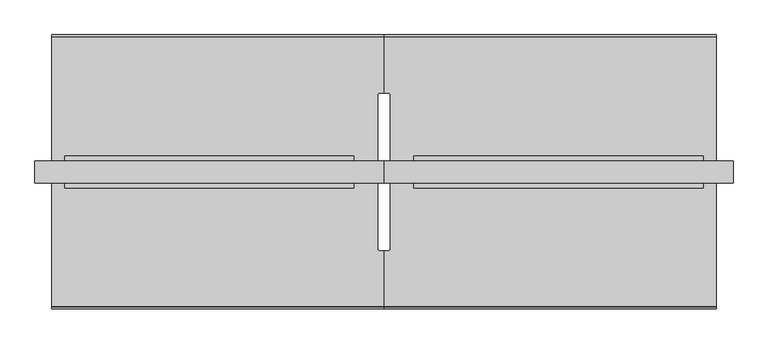
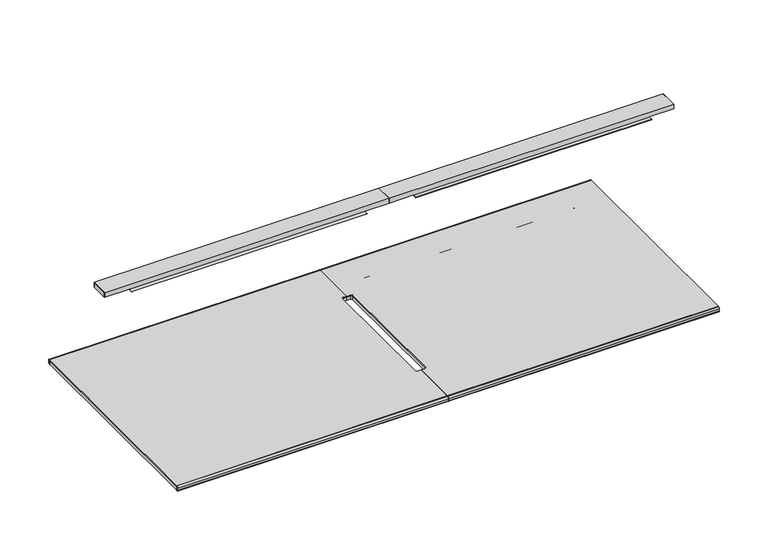
"""IFC4 building model written with IfcOpenShell, lengths in millimetres: furniture geometry."""

import ifcopenshell
import ifcopenshell.guid

model = None  # the IFC model being written
_history = None  # IfcOwnerHistory: only IFC2X3 demands one
_inside = {}  # id of a spatial element -> (the spatial element, [elements in it])
_under = {}  # id of a project, library or spatial element -> (it, [spatial elements below it])
_declared = {}  # id of a project -> (the project, [libraries it declares])
_typed = {}  # id of a type object -> (the type object, [elements of that type])
_made_of = {}  # id of a material, layer set ... -> (it, [elements and type objects made of it])


def new_model(schema):
    """Start an empty IFC model of exactly this schema.

    Asked for "IFC4X3", IfcOpenShell would pick the latest addendum, in which some entities
    have other attributes; the version numbers below select the first issue.
    IFC2X3 requires an IfcOwnerHistory on every rooted entity: one is made here for all.
    """
    global model, _history
    if schema == "IFC4X3":
        model = ifcopenshell.file(schema_version=(4, 3, 0, 0))
    else:
        model = ifcopenshell.file(schema=schema)
    _inside.clear()
    _under.clear()
    _declared.clear()
    _typed.clear()
    _made_of.clear()
    _history = None
    if model.schema == "IFC2X3":
        org = make("IfcOrganization", Name="unknown")
        user = make(
            "IfcPersonAndOrganization",
            ThePerson=make("IfcPerson", FamilyName="unknown"),
            TheOrganization=org,
        )
        app = make(
            "IfcApplication",
            ApplicationDeveloper=org,
            Version="unknown",
            ApplicationFullName="unknown",
            ApplicationIdentifier="unknown",
        )
        _history = make(
            "IfcOwnerHistory",
            OwningUser=user,
            OwningApplication=app,
            ChangeAction="ADDED",
            CreationDate=0,
        )
    return model


def make(cls, **values):
    """One entity of the class cls with the attributes given. An attribute that is None is left unset."""
    return model.create_entity(
        cls, **{name: value for name, value in values.items() if value is not None}
    )


def rooted(cls, **values):
    """An entity with a GlobalId (a new one), such as an element, a storey or a relation."""
    return make(cls, GlobalId=ifcopenshell.guid.new(), OwnerHistory=_history, **values)


def si_unit(unit_type, name, prefix=None):
    """IfcSIUnit, for example si_unit("LENGTHUNIT", "METRE", prefix="MILLI")."""
    return make("IfcSIUnit", UnitType=unit_type, Prefix=prefix, Name=name)


def assignment(units):
    """IfcUnitAssignment: the units of a project."""
    return None if units is None else make("IfcUnitAssignment", Units=units)


def point(xyz):
    """IfcCartesianPoint."""
    return None if xyz is None else make("IfcCartesianPoint", Coordinates=xyz)


def direction(xyz):
    """IfcDirection."""
    return None if xyz is None else make("IfcDirection", DirectionRatios=xyz)


def frame(location, z_axis=None, x_axis=None):
    """IfcAxis2Placement3D, a coordinate frame: its origin and axes. An axis left out is left unset."""
    return make(
        "IfcAxis2Placement3D",
        Location=point(location),
        Axis=direction(z_axis),
        RefDirection=direction(x_axis),
    )


def frame_2d(location, x_axis=None):
    """IfcAxis2Placement2D, a coordinate frame in the plane: its origin and x axis."""
    return make(
        "IfcAxis2Placement2D", Location=point(location), RefDirection=direction(x_axis)
    )


def origin():
    """The frame at (0, 0, 0) with its axes left unset."""
    return frame((0.0, 0.0, 0.0))


def place(relative_to, where):
    """IfcLocalPlacement: puts the frame where relative to a parent placement (None: the world)."""
    return make(
        "IfcLocalPlacement", PlacementRelTo=relative_to, RelativePlacement=where
    )


def context(
    kind, dimensions, precision=None, world=None, true_north=None, identifier=None
):
    """IfcGeometricRepresentationContext, for example the 3D "Model" context."""
    return make(
        "IfcGeometricRepresentationContext",
        ContextIdentifier=identifier,
        ContextType=kind,
        CoordinateSpaceDimension=dimensions,
        Precision=precision,
        WorldCoordinateSystem=world,
        TrueNorth=true_north,
    )


def project(units=None, contexts=None):
    """IfcProject with its units and contexts."""
    return rooted(
        "IfcProject",
        Name="project",
        RepresentationContexts=contexts,
        UnitsInContext=assignment(units),
    )


def spatial(cls, under=None, at=None, **own):
    """A site, building, storey or space (cls), placed at a placement, below another one or the project."""
    s = rooted(cls, ObjectPlacement=at, **own)
    if under is not None:
        _under.setdefault(under.id(), (under, []))[1].append(s)
    return s


def polyline(points):
    """IfcPolyline through the points."""
    return make("IfcPolyline", Points=[point(p) for p in points])


def circle_curve(where, radius):
    """IfcCircle in the frame where."""
    return make("IfcCircle", Position=where, Radius=radius)


def trimmed(basis, trim1, trim2, sense, master):
    """IfcTrimmedCurve: the piece of a basis curve between two trims."""
    return make(
        "IfcTrimmedCurve",
        BasisCurve=basis,
        Trim1=trim1,
        Trim2=trim2,
        SenseAgreement=sense,
        MasterRepresentation=master,
    )


def segment(curve, same_sense, transition):
    """IfcCompositeCurveSegment."""
    return make(
        "IfcCompositeCurveSegment",
        Transition=transition,
        SameSense=same_sense,
        ParentCurve=curve,
    )


def composite_curve(segments, self_intersect=None):
    """IfcCompositeCurve: segments joined end to end."""
    return make("IfcCompositeCurve", Segments=segments, SelfIntersect=self_intersect)


def outline(outer, holes=None, kind="AREA"):
    """IfcArbitraryClosedProfileDef: a profile drawn as a closed curve; with holes, ...WithVoids."""
    if holes is None:
        return make("IfcArbitraryClosedProfileDef", ProfileType=kind, OuterCurve=outer)
    return make(
        "IfcArbitraryProfileDefWithVoids",
        ProfileType=kind,
        OuterCurve=outer,
        InnerCurves=holes,
    )


def extrude(swept, where, along, depth):
    """IfcExtrudedAreaSolid: the profile swept, set in the frame where, extruded along a direction by depth."""
    return make(
        "IfcExtrudedAreaSolid",
        SweptArea=swept,
        Position=where,
        ExtrudedDirection=direction(along),
        Depth=depth,
    )


def faces_of(points, faces, orient=None, outer=None):
    """IfcFace entities. A face is a list of loops; a loop is a list of indices into points, from 0.

    orient and outer hold one flag for each loop. By default every Orientation is true, the
    first loop of a face is its IfcFaceOuterBound and the others are IfcFaceBound.
    """
    made = []
    for i, loops in enumerate(faces):
        bounds = []
        for j, loop in enumerate(loops):
            is_outer = j == 0 if outer is None else outer[i][j]
            bounds.append(
                make(
                    "IfcFaceOuterBound" if is_outer else "IfcFaceBound",
                    Bound=make("IfcPolyLoop", Polygon=[points[k] for k in loop]),
                    Orientation=True if orient is None else orient[i][j],
                )
            )
        made.append(make("IfcFace", Bounds=bounds))
    return made


def faceted_brep(points, faces, orient=None, outer=None, voids=None):
    """IfcFacetedBrep: a solid bounded by flat faces; with voids (closed shells), ...WithVoids."""
    shared = [point(p) for p in points]
    hull = make("IfcClosedShell", CfsFaces=faces_of(shared, faces, orient, outer))
    if voids is None:
        return make("IfcFacetedBrep", Outer=hull)
    return make(
        "IfcFacetedBrepWithVoids",
        Outer=hull,
        Voids=[
            make(cls, CfsFaces=faces_of(shared, fs, o, b)) for cls, fs, o, b in voids
        ],
    )


def shape(context_of_items, identifier, shape_type, items):
    """IfcShapeRepresentation: the items that make up one representation, for example the "Body"."""
    return make(
        "IfcShapeRepresentation",
        ContextOfItems=context_of_items,
        RepresentationIdentifier=identifier,
        RepresentationType=shape_type,
        Items=items,
    )


def source(mapping_origin, context_of_items, identifier, shape_type, items):
    """IfcRepresentationMap: a shape defined once, which mapped items show again and again."""
    return make(
        "IfcRepresentationMap",
        MappingOrigin=mapping_origin,
        MappedRepresentation=shape(context_of_items, identifier, shape_type, items),
    )


def transform(
    local_origin,
    x_axis=None,
    y_axis=None,
    z_axis=None,
    scale=None,
    scale2=None,
    scale3=None,
    uniform=True,
):
    """IfcCartesianTransformationOperator3D, or its non-uniform kind. x_axis, y_axis, z_axis: its Axis1, 2, 3."""
    if uniform:
        return make(
            "IfcCartesianTransformationOperator3D",
            Axis1=direction(x_axis),
            Axis2=direction(y_axis),
            LocalOrigin=point(local_origin),
            Scale=scale,
            Axis3=direction(z_axis),
        )
    return make(
        "IfcCartesianTransformationOperator3DnonUniform",
        Axis1=direction(x_axis),
        Axis2=direction(y_axis),
        LocalOrigin=point(local_origin),
        Scale=scale,
        Axis3=direction(z_axis),
        Scale2=scale2,
        Scale3=scale3,
    )


def mapped(mapping_source, mapping_target):
    """IfcMappedItem: shows the shape of a source again, moved by a transform."""
    return make(
        "IfcMappedItem", MappingSource=mapping_source, MappingTarget=mapping_target
    )


def made_of(thing, what):
    """Note that an element or type object is made of a material, layer set ...; save() writes the relation."""
    if what is not None:
        _made_of.setdefault(what.id(), (what, []))[1].append(thing)
    return thing


def element(
    cls,
    number,
    at=None,
    inside=None,
    cuts=None,
    type_object=None,
    material=None,
    context=None,
    identifier="Body",
    shape_type=None,
    held_by="IfcProductDefinitionShape",
    body=None,
    shapes=None,
    **own,
):
    """One element of the class cls, such as IfcWall. Its Tag is "e" and its number.

    at: its placement. inside: the storey or other place that contains it. cuts: it is an
    opening in that element (IfcRelVoidsElement). A single representation is given by context,
    identifier, shape_type and body (its items); several are given by shapes. held_by: the class
    of the entity that holds the representations. save() writes the other relations.
    """
    e = rooted(cls, Tag="e%d" % number, ObjectPlacement=at, **own)
    if body is not None:
        shapes = [shape(context, identifier, shape_type, body)]
    if shapes is not None:
        e.Representation = make(held_by, Representations=shapes)
    if inside is not None:
        _inside.setdefault(inside.id(), (inside, []))[1].append(e)
    if cuts is not None:
        rooted(
            "IfcRelVoidsElement", RelatingBuildingElement=cuts, RelatedOpeningElement=e
        )
    if type_object is not None:
        _typed.setdefault(type_object.id(), (type_object, []))[1].append(e)
    return made_of(e, material)


def aggregate(whole, parts):
    """IfcRelAggregates: a whole, such as a stair, and the parts it consists of."""
    return rooted("IfcRelAggregates", RelatingObject=whole, RelatedObjects=parts)


def save(model, path):
    """Write the relations noted so far, then the file.

    IfcRelAggregates (storeys below a building ...), IfcRelContainedInSpatialStructure (elements
    in a storey), IfcRelDefinesByType, IfcRelAssociatesMaterial and IfcRelDeclares: one each for
    every whole, place, type object, material and project.
    """
    for whole, parts in _under.values():
        aggregate(whole, parts)
    for where, things in _inside.values():
        rooted(
            "IfcRelContainedInSpatialStructure",
            RelatedElements=things,
            RelatingStructure=where,
        )
    for kind, things in _typed.values():
        rooted("IfcRelDefinesByType", RelatedObjects=things, RelatingType=kind)
    for what, things in _made_of.values():
        rooted("IfcRelAssociatesMaterial", RelatedObjects=things, RelatingMaterial=what)
    for by, libraries in _declared.values():
        rooted("IfcRelDeclares", RelatingContext=by, RelatedDefinitions=libraries)
    model.write(path)


def furniture_c224cef0(model_context):
    return source(origin(), model_context, "Body", "SolidModel", [
        extrude(outline(composite_curve([segment(polyline([(462.9995296, 225.3000016), (462.9995296, 223.2999965), (433.499433, 223.2999965)]), True, "CONTINUOUS"), segment(trimmed(circle_curve(frame_2d((433.499433, 227.2999965)), 4.0), [point((433.499433, 223.2999965))], [point((429.499433, 227.2999965))], False, "CARTESIAN"), True, "CONTINUOUS"), segment(polyline([(429.499433, 227.2999965), (429.499433, 250.0), (431.4989476, 250.0), (431.4989476, 227.3000016)]), True, "CONTINUOUS"), segment(trimmed(circle_curve(frame_2d((433.4989476, 227.3000016)), 2.0), [point((431.4989476, 227.3000016))], [point((433.4989476, 225.3000016))], True, "CARTESIAN"), True, "CONTINUOUS"), segment(polyline([(433.4989476, 225.3000016), (462.9995296, 225.3000016)]), True, "CONTINUOUS")], self_intersect=False)), frame((1400.0, 0.0, 0.0), z_axis=(1.0, 0.0, 0.0), x_axis=(0.0, 1.0, 0.0)), (0.0, 0.0, 1.0), 1202.0),
        extrude(outline(composite_curve([segment(polyline([(1400.0, 515.0401497), (2732.0, 515.0401497), (2732.0, -565.0401497), (1400.0, -565.0401497), (1400.0, -342.0), (1419.0117844, -342.0)]), True, "CONTINUOUS"), segment(trimmed(circle_curve(frame_2d((1419.0117844, -335.0)), 7.0), [point((1419.0117844, -342.0))], [point((1426.0117844, -335.0))], True, "CARTESIAN"), True, "CONTINUOUS"), segment(polyline([(1426.0117844, -335.0), (1426.0117844, 285.0)]), True, "CONTINUOUS"), segment(trimmed(circle_curve(frame_2d((1419.0117844, 285.0)), 7.0), [point((1426.0117844, 285.0))], [point((1419.0117844, 292.0))], True, "CARTESIAN"), True, "CONTINUOUS"), segment(polyline([(1419.0117844, 292.0), (1400.0, 292.0), (1400.0, 515.0401497)]), True, "CONTINUOUS")], self_intersect=False)), frame((0.0, 0.0, 267.9999933), z_axis=(0.0, 0.0, 1.0), x_axis=(1.0, 0.0, 0.0)), (0.0, 0.0, 1.0), 5.0000037),
        extrude(outline(composite_curve([segment(polyline([(515.0401497, 248.0000331), (515.0401497, 272.999997), (517.4527557, 272.999997)]), True, "CONTINUOUS"), segment(trimmed(circle_curve(frame_2d((517.4527557, 265.4527527)), 7.5472443), [point((517.4527557, 272.999997))], [point((525.0, 265.4527527))], False, "CARTESIAN"), True, "CONTINUOUS"), segment(polyline([(525.0, 265.4527527), (525.0, 254.7582562)]), True, "CONTINUOUS"), segment(trimmed(circle_curve(frame_2d((518.241777, 254.7582562)), 6.758223), [point((525.0, 254.7582562))], [point((518.241777, 248.0000331))], False, "CARTESIAN"), True, "CONTINUOUS"), segment(polyline([(518.241777, 248.0000331), (515.0401497, 248.0000331)]), True, "CONTINUOUS")], self_intersect=False)), frame((1400.0, 0.0, 0.0), z_axis=(1.0, 0.0, 0.0), x_axis=(0.0, 1.0, 0.0)), (0.0, 0.0, 1.0), 1332.0),
        extrude(outline(composite_curve([segment(polyline([(-565.0401497, 248.0000331), (-568.241777, 248.0000331)]), True, "CONTINUOUS"), segment(trimmed(circle_curve(frame_2d((-568.241777, 254.7582562)), 6.758223), [point((-568.241777, 248.0000331))], [point((-575.0, 254.7582562))], False, "CARTESIAN"), True, "CONTINUOUS"), segment(polyline([(-575.0, 254.7582562), (-575.0, 265.4527527)]), True, "CONTINUOUS"), segment(trimmed(circle_curve(frame_2d((-567.4527557, 265.4527527)), 7.5472443), [point((-575.0, 265.4527527))], [point((-567.4527557, 272.999997))], False, "CARTESIAN"), True, "CONTINUOUS"), segment(polyline([(-567.4527557, 272.999997), (-565.0401497, 272.999997), (-565.0401497, 248.0000331)]), True, "CONTINUOUS")], self_intersect=False)), frame((1400.0, 0.0, 0.0), z_axis=(1.0, 0.0, 0.0), x_axis=(0.0, 1.0, 0.0)), (0.0, 0.0, 1.0), 1332.0),
        extrude(outline(composite_curve([segment(polyline([(-512.9995296, 225.3000016), (-483.4989476, 225.3000016)]), True, "CONTINUOUS"), segment(trimmed(circle_curve(frame_2d((-483.4989476, 227.3000016)), 2.0), [point((-483.4989476, 225.3000016))], [point((-481.4989476, 227.3000016))], True, "CARTESIAN"), True, "CONTINUOUS"), segment(polyline([(-481.4989476, 227.3000016), (-481.4989476, 250.0), (-479.499433, 250.0), (-479.499433, 227.2999965)]), True, "CONTINUOUS"), segment(trimmed(circle_curve(frame_2d((-483.499433, 227.2999965)), 4.0), [point((-479.499433, 227.2999965))], [point((-483.499433, 223.2999965))], False, "CARTESIAN"), True, "CONTINUOUS"), segment(polyline([(-483.499433, 223.2999965), (-512.9995296, 223.2999965), (-512.9995296, 225.3000016)]), True, "CONTINUOUS")], self_intersect=False)), frame((1327.4999821, 0.0, 0.0), z_axis=(1.0, 0.0, 0.0), x_axis=(0.0, 1.0, 0.0)), (0.0, 0.0, 1.0), 1274.5000179),
        extrude(outline(composite_curve([segment(polyline([(1400.0, 515.0401497), (2732.0, 515.0401497), (2732.0, -565.0401497), (1400.0, -565.0401497), (1400.0, -342.0), (1419.0117844, -342.0)]), True, "CONTINUOUS"), segment(trimmed(circle_curve(frame_2d((1419.0117844, -335.0)), 7.0), [point((1419.0117844, -342.0))], [point((1426.0117844, -335.0))], True, "CARTESIAN"), True, "CONTINUOUS"), segment(polyline([(1426.0117844, -335.0), (1426.0117844, 285.0)]), True, "CONTINUOUS"), segment(trimmed(circle_curve(frame_2d((1419.0117844, 285.0)), 7.0), [point((1426.0117844, 285.0))], [point((1419.0117844, 292.0))], True, "CARTESIAN"), True, "CONTINUOUS"), segment(polyline([(1419.0117844, 292.0), (1400.0, 292.0), (1400.0, 515.0401497)]), True, "CONTINUOUS")], self_intersect=False)), frame((0.0, 0.0, 250.0), z_axis=(0.0, 0.0, 1.0), x_axis=(1.0, 0.0, 0.0)), (0.0, 0.0, 1.0), 17.9999933),
        extrude(outline(composite_curve([segment(polyline([(462.9995296, 225.3000016), (462.9995296, 223.2999965), (433.499433, 223.2999965)]), True, "CONTINUOUS"), segment(trimmed(circle_curve(frame_2d((433.499433, 227.2999965)), 4.0), [point((433.499433, 223.2999965))], [point((429.499433, 227.2999965))], False, "CARTESIAN"), True, "CONTINUOUS"), segment(polyline([(429.499433, 227.2999965), (429.499433, 250.0), (431.4989476, 250.0), (431.4989476, 227.3000016)]), True, "CONTINUOUS"), segment(trimmed(circle_curve(frame_2d((433.4989476, 227.3000016)), 2.0), [point((431.4989476, 227.3000016))], [point((433.4989476, 225.3000016))], True, "CARTESIAN"), True, "CONTINUOUS"), segment(polyline([(433.4989476, 225.3000016), (462.9995296, 225.3000016)]), True, "CONTINUOUS")], self_intersect=False)), frame((198.0, 0.0, 0.0), z_axis=(1.0, 0.0, 0.0), x_axis=(0.0, 1.0, 0.0)), (0.0, 0.0, 1.0), 1202.0),
        extrude(outline(composite_curve([segment(polyline([(1400.0, 515.0401497), (1400.0, 292.0), (1380.9882156, 292.0)]), True, "CONTINUOUS"), segment(trimmed(circle_curve(frame_2d((1380.9882156, 285.0)), 7.0), [point((1380.9882156, 292.0))], [point((1373.9882156, 285.0))], True, "CARTESIAN"), True, "CONTINUOUS"), segment(polyline([(1373.9882156, 285.0), (1373.9882156, -335.0)]), True, "CONTINUOUS"), segment(trimmed(circle_curve(frame_2d((1380.9882156, -335.0)), 7.0), [point((1373.9882156, -335.0))], [point((1380.9882156, -342.0))], True, "CARTESIAN"), True, "CONTINUOUS"), segment(polyline([(1380.9882156, -342.0), (1400.0, -342.0), (1400.0, -565.0401497), (68.0, -565.0401497), (68.0, 515.0401497), (1400.0, 515.0401497)]), True, "CONTINUOUS")], self_intersect=False)), frame((0.0, 0.0, 267.9999933), z_axis=(0.0, 0.0, 1.0), x_axis=(1.0, 0.0, 0.0)), (0.0, 0.0, 1.0), 5.0000037),
        extrude(outline(composite_curve([segment(polyline([(515.0401497, 248.0000331), (515.0401497, 272.999997), (517.4527557, 272.999997)]), True, "CONTINUOUS"), segment(trimmed(circle_curve(frame_2d((517.4527557, 265.4527527)), 7.5472443), [point((517.4527557, 272.999997))], [point((525.0, 265.4527527))], False, "CARTESIAN"), True, "CONTINUOUS"), segment(polyline([(525.0, 265.4527527), (525.0, 254.7582562)]), True, "CONTINUOUS"), segment(trimmed(circle_curve(frame_2d((518.241777, 254.7582562)), 6.758223), [point((525.0, 254.7582562))], [point((518.241777, 248.0000331))], False, "CARTESIAN"), True, "CONTINUOUS"), segment(polyline([(518.241777, 248.0000331), (515.0401497, 248.0000331)]), True, "CONTINUOUS")], self_intersect=False)), frame((68.0, 0.0, 0.0), z_axis=(1.0, 0.0, 0.0), x_axis=(0.0, 1.0, 0.0)), (0.0, 0.0, 1.0), 1332.0),
        extrude(outline(composite_curve([segment(polyline([(-565.0401497, 248.0000331), (-568.241777, 248.0000331)]), True, "CONTINUOUS"), segment(trimmed(circle_curve(frame_2d((-568.241777, 254.7582562)), 6.758223), [point((-568.241777, 248.0000331))], [point((-575.0, 254.7582562))], False, "CARTESIAN"), True, "CONTINUOUS"), segment(polyline([(-575.0, 254.7582562), (-575.0, 265.4527527)]), True, "CONTINUOUS"), segment(trimmed(circle_curve(frame_2d((-567.4527557, 265.4527527)), 7.5472443), [point((-575.0, 265.4527527))], [point((-567.4527557, 272.999997))], False, "CARTESIAN"), True, "CONTINUOUS"), segment(polyline([(-567.4527557, 272.999997), (-565.0401497, 272.999997), (-565.0401497, 248.0000331)]), True, "CONTINUOUS")], self_intersect=False)), frame((68.0, 0.0, 0.0), z_axis=(1.0, 0.0, 0.0), x_axis=(0.0, 1.0, 0.0)), (0.0, 0.0, 1.0), 1332.0),
        extrude(outline(composite_curve([segment(polyline([(-512.9995296, 225.3000016), (-483.4989476, 225.3000016)]), True, "CONTINUOUS"), segment(trimmed(circle_curve(frame_2d((-483.4989476, 227.3000016)), 2.0), [point((-483.4989476, 225.3000016))], [point((-481.4989476, 227.3000016))], True, "CARTESIAN"), True, "CONTINUOUS"), segment(polyline([(-481.4989476, 227.3000016), (-481.4989476, 250.0), (-479.499433, 250.0), (-479.499433, 227.2999965)]), True, "CONTINUOUS"), segment(trimmed(circle_curve(frame_2d((-483.499433, 227.2999965)), 4.0), [point((-479.499433, 227.2999965))], [point((-483.499433, 223.2999965))], False, "CARTESIAN"), True, "CONTINUOUS"), segment(polyline([(-483.499433, 223.2999965), (-512.9995296, 223.2999965), (-512.9995296, 225.3000016)]), True, "CONTINUOUS")], self_intersect=False)), frame((198.0, 0.0, 0.0), z_axis=(1.0, 0.0, 0.0), x_axis=(0.0, 1.0, 0.0)), (0.0, 0.0, 1.0), 1274.5000179),
        extrude(outline(composite_curve([segment(polyline([(1400.0, 515.0401497), (1400.0, 292.0), (1380.9882156, 292.0)]), True, "CONTINUOUS"), segment(trimmed(circle_curve(frame_2d((1380.9882156, 285.0)), 7.0), [point((1380.9882156, 292.0))], [point((1373.9882156, 285.0))], True, "CARTESIAN"), True, "CONTINUOUS"), segment(polyline([(1373.9882156, 285.0), (1373.9882156, -335.0)]), True, "CONTINUOUS"), segment(trimmed(circle_curve(frame_2d((1380.9882156, -335.0)), 7.0), [point((1373.9882156, -335.0))], [point((1380.9882156, -342.0))], True, "CARTESIAN"), True, "CONTINUOUS"), segment(polyline([(1380.9882156, -342.0), (1400.0, -342.0), (1400.0, -565.0401497), (68.0, -565.0401497), (68.0, 515.0401497), (1400.0, 515.0401497)]), True, "CONTINUOUS")], self_intersect=False)), frame((0.0, 0.0, 250.0), z_axis=(0.0, 0.0, 1.0), x_axis=(1.0, 0.0, 0.0)), (0.0, 0.0, 1.0), 17.9999933),
        extrude(outline(polyline([(2798.3441586, -67.8945302), (2798.3441586, 17.7070307), (2800.0, 17.7070307), (2800.0, -67.8945302), (2798.3441586, -67.8945302)])), frame((0.0, 0.0, 975.0), z_axis=(0.0, 0.0, 1.0), x_axis=(1.0, 0.0, 0.0)), (0.0, 0.0, 1.0), 23.7542267),
        extrude(outline(polyline([(1401.7844764, 17.7070307), (1401.7844764, -67.8945302), (1400.0, -67.8945302), (1400.0, 17.7070307), (1401.7844764, 17.7070307)])), frame((0.0, 0.0, 975.0), z_axis=(0.0, 0.0, 1.0), x_axis=(1.0, 0.0, 0.0)), (0.0, 0.0, 1.0), 23.7542267),
        faceted_brep([(1400.0, 17.7070307, 998.7542267), (1400.0, -67.8945302, 998.7542267), (1400.0, -67.8945302, 975.7542498), (1400.0, -69.0937485, 975.7542498), (1400.0, -69.0937485, 999.9542261), (1400.0, 18.9062489, 999.9542261), (1400.0, 18.9062489, 975.7542498), (1400.0, 17.7070307, 975.7542498), (2800.0, 18.9062489, 999.9542261), (2800.0, 18.9062489, 975.7542498), (2679.4989885, 18.9062489, 975.7542498), (2679.4989885, 18.9062489, 975.0), (1520.0, 18.9062489, 975.0), (1520.0, 18.9062489, 975.7542498), (2800.0, -69.0937485, 999.9542261), (1520.0, -69.0937485, 975.7542498), (1520.0, -69.0937485, 975.0), (2679.4989885, -69.0937485, 975.0), (2679.4989885, -69.0937485, 975.7542498), (2800.0, -69.0937485, 975.7542498), (2800.0, -67.8945302, 998.7542267), (2800.0, -67.8945302, 975.7542498), (2679.4989885, -67.8945302, 975.7542498), (2679.4989885, -67.8945302, 973.7542992), (1520.0, -67.8945302, 973.7542992), (1520.0, -67.8945302, 975.7542498), (2800.0, 17.7070307, 998.7542267), (1520.0, 17.7070307, 975.7542498), (1520.0, 17.7070307, 973.7542265), (2679.4989885, 17.7070307, 973.7542265), (2679.4989885, 17.7070307, 975.7542498), (2800.0, 17.7070307, 975.7542498), (2679.4989885, 38.90625, 973.7542265), (2679.4989885, 38.90625, 975.0), (2679.4989885, -89.0937495, 975.0), (2679.4989885, -89.0937495, 973.7542992), (1520.0, 38.90625, 973.7542265), (1520.0, 38.90625, 975.0), (1520.0, -89.0937495, 973.7542992), (1520.0, -89.0937495, 975.0)], [[[0, 1, 2, 3, 4, 5, 6, 7]], [[6, 5, 8, 9, 10, 11, 12, 13]], [[8, 5, 4, 14]], [[14, 4, 3, 15, 16, 17, 18, 19]], [[2, 1, 20, 21, 22, 23, 24, 25]], [[20, 1, 0, 26]], [[26, 0, 7, 27, 28, 29, 30, 31]], [[7, 6, 13, 27]], [[3, 2, 25, 15]], [[32, 33, 11, 10, 30, 29]], [[17, 34, 35, 23, 22, 18]], [[36, 28, 27, 13, 12, 37]], [[24, 38, 39, 16, 15, 25]], [[33, 32, 36, 37]], [[11, 33, 37, 12]], [[34, 17, 16, 39]], [[35, 34, 39, 38]], [[23, 35, 38, 24]], [[32, 29, 28, 36]], [[26, 31, 9, 8, 14, 19, 21, 20]], [[9, 31, 30, 10]], [[21, 19, 18, 22]]]),
        extrude(outline(polyline([(1398.3441586, -67.8945302), (1398.3441586, 17.7070307), (1400.0, 17.7070307), (1400.0, -67.8945302), (1398.3441586, -67.8945302)])), frame((0.0, 0.0, 975.0), z_axis=(0.0, 0.0, 1.0), x_axis=(1.0, 0.0, 0.0)), (0.0, 0.0, 1.0), 23.7542267),
        extrude(outline(polyline([(1.7844764, 17.7070307), (1.7844764, -67.8945302), (0.0, -67.8945302), (0.0, 17.7070307), (1.7844764, 17.7070307)])), frame((0.0, 0.0, 975.0), z_axis=(0.0, 0.0, 1.0), x_axis=(1.0, 0.0, 0.0)), (0.0, 0.0, 1.0), 23.7542267),
        faceted_brep([(0.0, 17.7070307, 998.7542267), (0.0, -67.8945302, 998.7542267), (0.0, -67.8945302, 975.7542498), (0.0, -69.0937485, 975.7542498), (0.0, -69.0937485, 999.9542261), (0.0, 18.9062489, 999.9542261), (0.0, 18.9062489, 975.7542498), (0.0, 17.7070307, 975.7542498), (1400.0, 18.9062489, 999.9542261), (1400.0, 18.9062489, 975.7542498), (1279.4989885, 18.9062489, 975.7542498), (1279.4989885, 18.9062489, 975.0), (120.0, 18.9062489, 975.0), (120.0, 18.9062489, 975.7542498), (1400.0, -69.0937485, 999.9542261), (120.0, -69.0937485, 975.7542498), (120.0, -69.0937485, 975.0), (1279.4989885, -69.0937485, 975.0), (1279.4989885, -69.0937485, 975.7542498), (1400.0, -69.0937485, 975.7542498), (1400.0, -67.8945302, 998.7542267), (1400.0, -67.8945302, 975.7542498), (1279.4989885, -67.8945302, 975.7542498), (1279.4989885, -67.8945302, 973.7542992), (120.0, -67.8945302, 973.7542992), (120.0, -67.8945302, 975.7542498), (1400.0, 17.7070307, 998.7542267), (120.0, 17.7070307, 975.7542498), (120.0, 17.7070307, 973.7542265), (1279.4989885, 17.7070307, 973.7542265), (1279.4989885, 17.7070307, 975.7542498), (1400.0, 17.7070307, 975.7542498), (1279.4989885, 38.90625, 973.7542265), (1279.4989885, 38.90625, 975.0), (1279.4989885, -89.0937495, 975.0), (1279.4989885, -89.0937495, 973.7542992), (120.0, 38.90625, 973.7542265), (120.0, 38.90625, 975.0), (120.0, -89.0937495, 973.7542992), (120.0, -89.0937495, 975.0)], [[[0, 1, 2, 3, 4, 5, 6, 7]], [[6, 5, 8, 9, 10, 11, 12, 13]], [[8, 5, 4, 14]], [[14, 4, 3, 15, 16, 17, 18, 19]], [[2, 1, 20, 21, 22, 23, 24, 25]], [[20, 1, 0, 26]], [[26, 0, 7, 27, 28, 29, 30, 31]], [[7, 6, 13, 27]], [[3, 2, 25, 15]], [[32, 33, 11, 10, 30, 29]], [[17, 34, 35, 23, 22, 18]], [[36, 28, 27, 13, 12, 37]], [[24, 38, 39, 16, 15, 25]], [[33, 32, 36, 37]], [[11, 33, 37, 12]], [[34, 17, 16, 39]], [[35, 34, 39, 38]], [[23, 35, 38, 24]], [[32, 29, 28, 36]], [[26, 31, 9, 8, 14, 19, 21, 20]], [[9, 31, 30, 10]], [[21, 19, 18, 22]]]),
    ])


if __name__ == "__main__":
    model = new_model("IFC4")
    model_context = context("Model", 3, world=origin())
    ifc_project = project(units=[si_unit("LENGTHUNIT", "METRE", prefix="MILLI")], contexts=[model_context])
    site = spatial("IfcSite", under=ifc_project)
    building = spatial("IfcBuilding", under=site)
    placement = place(None, origin())
    furniture_shape = furniture_c224cef0(model_context)
    element("IfcFurniture", 1, at=placement, inside=building, context=model_context, shape_type="MappedRepresentation", body=[
        mapped(furniture_shape, transform((0.0, 0.0, 0.0), x_axis=(1.0, 0.0, 0.0), y_axis=(0.0, 1.0, 0.0), z_axis=(0.0, 0.0, 1.0))),
    ])
    save(model, "model.ifc")
